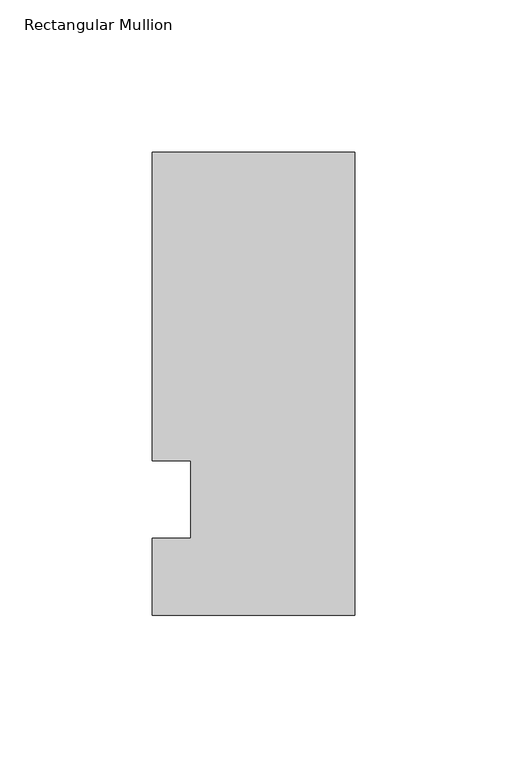
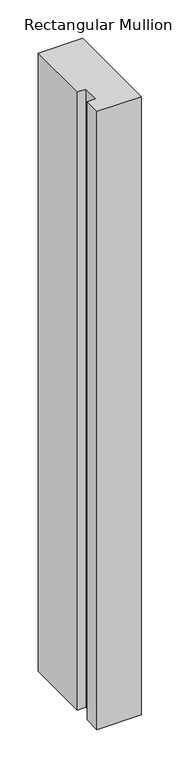
"""IFC4 building model written with IfcOpenShell, lengths in millimetres: member geometry, Rectangular Mullion."""

from ifc_helpers import new_model, si_unit, frame, origin, place, context, project, spatial, polyline, outline, extrude, source, transform, mapped, element, save


def rectangular_mullion_da3f549b(model_context):
    return source(origin(), model_context, "Body", "SweptSolid", [
        extrude(outline(polyline([(-66.675, 114.3), (0.0, 114.3), (0.0, -38.1), (-66.675, -38.1), (-66.675, -12.7), (-53.9732296, -12.7), (-53.9732296, 12.7), (-66.675, 12.7), (-66.675, 114.3)])), frame((0.0, 0.0, -983.0229906), z_axis=(0.0, 0.0, 1.0), x_axis=(1.0, 0.0, 0.0)), (0.0, 0.0, 1.0), 983.0229906),
    ])


if __name__ == "__main__":
    model = new_model("IFC4")
    model_context = context("Model", 3, world=origin())
    ifc_project = project(units=[si_unit("LENGTHUNIT", "METRE", prefix="MILLI")], contexts=[model_context])
    site = spatial("IfcSite", under=ifc_project)
    building = spatial("IfcBuilding", under=site)
    placement = place(None, origin())
    rectangular_mullion_shape = rectangular_mullion_da3f549b(model_context)
    element("IfcMember", 1, ObjectType="Rectangular Mullion", at=placement, inside=building, context=model_context, shape_type="MappedRepresentation", body=[
        mapped(rectangular_mullion_shape, transform((0.0, 0.0, 0.0), x_axis=(1.0, 0.0, 0.0), y_axis=(0.0, 1.0, 0.0), z_axis=(0.0, 0.0, 1.0))),
    ])
    save(model, "model.ifc")
